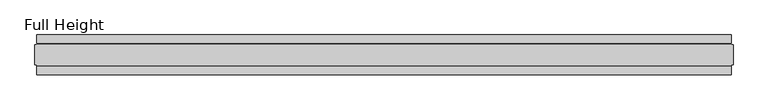
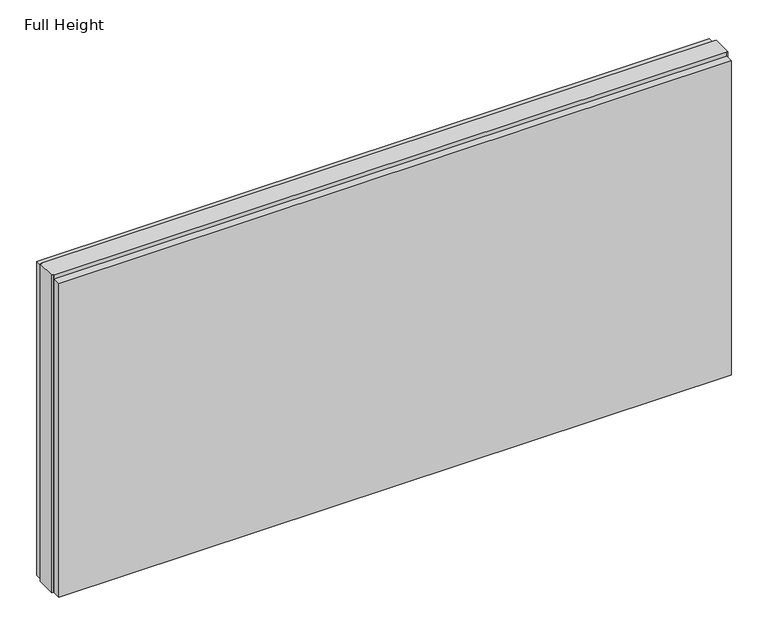
"""IFC4 building model written with IfcOpenShell, lengths in millimetres: plate geometry, Full Height."""

from ifc_helpers import new_model, si_unit, origin, origin_with_axes, place, context, project, spatial, polyline, outline, extrude, source, transform, mapped, element, save


def full_height_5f57727e(model_context):
    return source(origin(), model_context, "Body", "SweptSolid", [
        extrude(outline(polyline([(864.3067871, -28.956), (864.3067871, -49.53), (-864.3067871, -49.53), (-864.3067871, -28.956), (864.3067871, -28.956)])), origin_with_axes(), (0.0, 0.0, 1.0), 854.456),
        extrude(outline(polyline([(864.3067871, 28.956), (-864.3067871, 28.956), (-864.3067871, 49.53), (864.3067871, 49.53), (864.3067871, 28.956)])), origin_with_axes(), (0.0, 0.0, 1.0), 854.456),
        extrude(outline(polyline([(864.3067871, 25.146), (868.8787871, 25.146), (868.8787871, -25.146), (864.3067871, -25.146), (864.3067871, -26.67), (-864.3067871, -26.67), (-864.3067871, -25.146), (-868.8787871, -25.146), (-868.8787871, 25.146), (-864.3067871, 25.146), (-864.3067871, 26.67), (864.3067871, 26.67), (864.3067871, 25.146)])), origin_with_axes(), (0.0, 0.0, 1.0), 863.6),
    ])


if __name__ == "__main__":
    model = new_model("IFC4")
    model_context = context("Model", 3, world=origin())
    ifc_project = project(units=[si_unit("LENGTHUNIT", "METRE", prefix="MILLI")], contexts=[model_context])
    site = spatial("IfcSite", under=ifc_project)
    building = spatial("IfcBuilding", under=site)
    placement = place(None, origin())
    full_height_shape = full_height_5f57727e(model_context)
    element("IfcPlate", 1, ObjectType="Full Height", at=placement, inside=building, context=model_context, shape_type="MappedRepresentation", body=[
        mapped(full_height_shape, transform((0.0, 0.0, 0.0), x_axis=(1.0, 0.0, 0.0), y_axis=(0.0, 1.0, 0.0), z_axis=(0.0, 0.0, 1.0))),
    ])
    save(model, "model.ifc")
